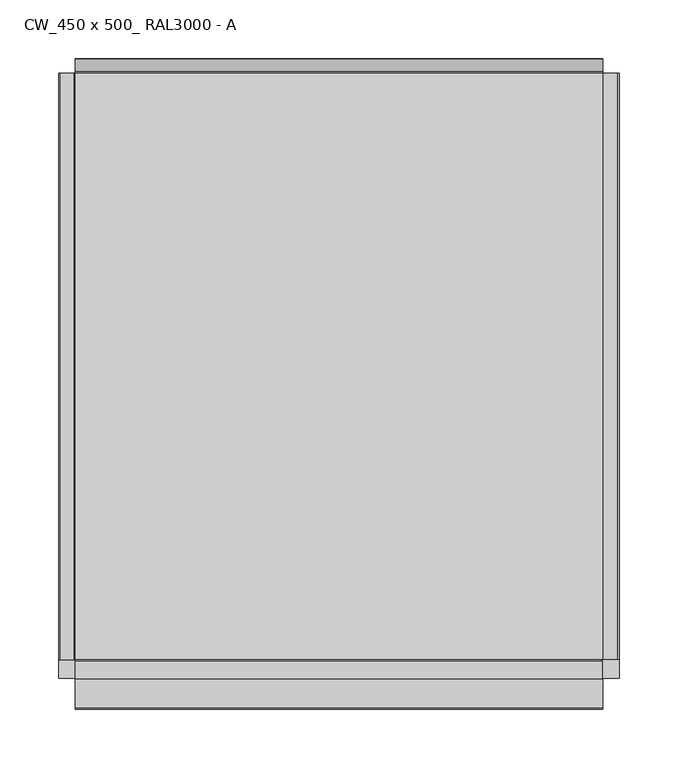
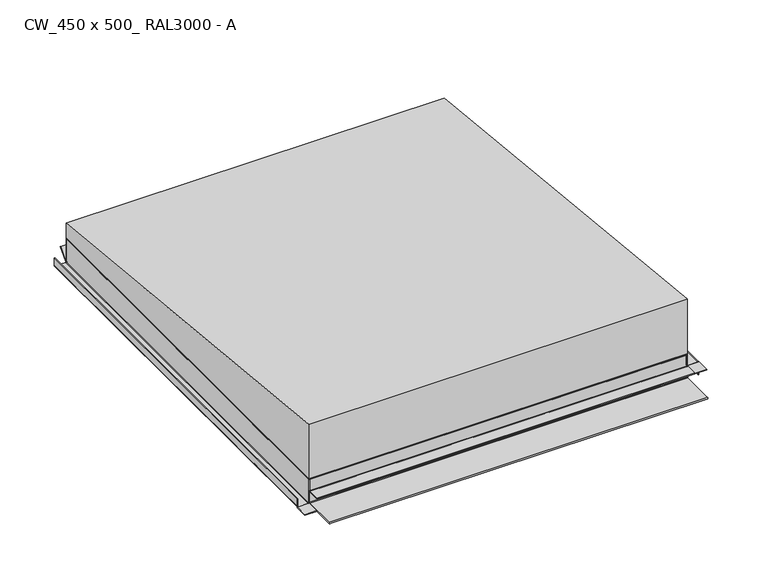
"""IFC4 building model written with IfcOpenShell, lengths in millimetres: proxy geometry, CW_450 x 500_ RAL3000 - A."""

import ifcopenshell
import ifcopenshell.guid

model = None  # the IFC model being written
_history = None  # IfcOwnerHistory: only IFC2X3 demands one
_inside = {}  # id of a spatial element -> (the spatial element, [elements in it])
_under = {}  # id of a project, library or spatial element -> (it, [spatial elements below it])
_declared = {}  # id of a project -> (the project, [libraries it declares])
_typed = {}  # id of a type object -> (the type object, [elements of that type])
_made_of = {}  # id of a material, layer set ... -> (it, [elements and type objects made of it])


def new_model(schema):
    """Start an empty IFC model of exactly this schema.

    Asked for "IFC4X3", IfcOpenShell would pick the latest addendum, in which some entities
    have other attributes; the version numbers below select the first issue.
    IFC2X3 requires an IfcOwnerHistory on every rooted entity: one is made here for all.
    """
    global model, _history
    if schema == "IFC4X3":
        model = ifcopenshell.file(schema_version=(4, 3, 0, 0))
    else:
        model = ifcopenshell.file(schema=schema)
    _inside.clear()
    _under.clear()
    _declared.clear()
    _typed.clear()
    _made_of.clear()
    _history = None
    if model.schema == "IFC2X3":
        org = make("IfcOrganization", Name="unknown")
        user = make(
            "IfcPersonAndOrganization",
            ThePerson=make("IfcPerson", FamilyName="unknown"),
            TheOrganization=org,
        )
        app = make(
            "IfcApplication",
            ApplicationDeveloper=org,
            Version="unknown",
            ApplicationFullName="unknown",
            ApplicationIdentifier="unknown",
        )
        _history = make(
            "IfcOwnerHistory",
            OwningUser=user,
            OwningApplication=app,
            ChangeAction="ADDED",
            CreationDate=0,
        )
    return model


def make(cls, **values):
    """One entity of the class cls with the attributes given. An attribute that is None is left unset."""
    return model.create_entity(
        cls, **{name: value for name, value in values.items() if value is not None}
    )


def rooted(cls, **values):
    """An entity with a GlobalId (a new one), such as an element, a storey or a relation."""
    return make(cls, GlobalId=ifcopenshell.guid.new(), OwnerHistory=_history, **values)


def si_unit(unit_type, name, prefix=None):
    """IfcSIUnit, for example si_unit("LENGTHUNIT", "METRE", prefix="MILLI")."""
    return make("IfcSIUnit", UnitType=unit_type, Prefix=prefix, Name=name)


def assignment(units):
    """IfcUnitAssignment: the units of a project."""
    return None if units is None else make("IfcUnitAssignment", Units=units)


def point(xyz):
    """IfcCartesianPoint."""
    return None if xyz is None else make("IfcCartesianPoint", Coordinates=xyz)


def direction(xyz):
    """IfcDirection."""
    return None if xyz is None else make("IfcDirection", DirectionRatios=xyz)


def frame(location, z_axis=None, x_axis=None):
    """IfcAxis2Placement3D, a coordinate frame: its origin and axes. An axis left out is left unset."""
    return make(
        "IfcAxis2Placement3D",
        Location=point(location),
        Axis=direction(z_axis),
        RefDirection=direction(x_axis),
    )


def origin():
    """The frame at (0, 0, 0) with its axes left unset."""
    return frame((0.0, 0.0, 0.0))


def origin_with_axes():
    """The frame at (0, 0, 0) with the z axis (0, 0, 1) and the x axis (1, 0, 0) written out."""
    return frame((0.0, 0.0, 0.0), z_axis=(0.0, 0.0, 1.0), x_axis=(1.0, 0.0, 0.0))


def place(relative_to, where):
    """IfcLocalPlacement: puts the frame where relative to a parent placement (None: the world)."""
    return make(
        "IfcLocalPlacement", PlacementRelTo=relative_to, RelativePlacement=where
    )


def context(
    kind, dimensions, precision=None, world=None, true_north=None, identifier=None
):
    """IfcGeometricRepresentationContext, for example the 3D "Model" context."""
    return make(
        "IfcGeometricRepresentationContext",
        ContextIdentifier=identifier,
        ContextType=kind,
        CoordinateSpaceDimension=dimensions,
        Precision=precision,
        WorldCoordinateSystem=world,
        TrueNorth=true_north,
    )


def project(units=None, contexts=None):
    """IfcProject with its units and contexts."""
    return rooted(
        "IfcProject",
        Name="project",
        RepresentationContexts=contexts,
        UnitsInContext=assignment(units),
    )


def spatial(cls, under=None, at=None, **own):
    """A site, building, storey or space (cls), placed at a placement, below another one or the project."""
    s = rooted(cls, ObjectPlacement=at, **own)
    if under is not None:
        _under.setdefault(under.id(), (under, []))[1].append(s)
    return s


def polyline(points):
    """IfcPolyline through the points."""
    return make("IfcPolyline", Points=[point(p) for p in points])


def circle_curve(where, radius):
    """IfcCircle in the frame where."""
    return make("IfcCircle", Position=where, Radius=radius)


def ellipse_curve(where, semi_axis1, semi_axis2):
    """IfcEllipse in the frame where."""
    return make(
        "IfcEllipse", Position=where, SemiAxis1=semi_axis1, SemiAxis2=semi_axis2
    )


def outline(outer, holes=None, kind="AREA"):
    """IfcArbitraryClosedProfileDef: a profile drawn as a closed curve; with holes, ...WithVoids."""
    if holes is None:
        return make("IfcArbitraryClosedProfileDef", ProfileType=kind, OuterCurve=outer)
    return make(
        "IfcArbitraryProfileDefWithVoids",
        ProfileType=kind,
        OuterCurve=outer,
        InnerCurves=holes,
    )


def extrude(swept, where, along, depth):
    """IfcExtrudedAreaSolid: the profile swept, set in the frame where, extruded along a direction by depth."""
    return make(
        "IfcExtrudedAreaSolid",
        SweptArea=swept,
        Position=where,
        ExtrudedDirection=direction(along),
        Depth=depth,
    )


def faces_of(points, faces, orient=None, outer=None):
    """IfcFace entities. A face is a list of loops; a loop is a list of indices into points, from 0.

    orient and outer hold one flag for each loop. By default every Orientation is true, the
    first loop of a face is its IfcFaceOuterBound and the others are IfcFaceBound.
    """
    made = []
    for i, loops in enumerate(faces):
        bounds = []
        for j, loop in enumerate(loops):
            is_outer = j == 0 if outer is None else outer[i][j]
            bounds.append(
                make(
                    "IfcFaceOuterBound" if is_outer else "IfcFaceBound",
                    Bound=make("IfcPolyLoop", Polygon=[points[k] for k in loop]),
                    Orientation=True if orient is None else orient[i][j],
                )
            )
        made.append(make("IfcFace", Bounds=bounds))
    return made


def faceted_brep(points, faces, orient=None, outer=None, voids=None):
    """IfcFacetedBrep: a solid bounded by flat faces; with voids (closed shells), ...WithVoids."""
    shared = [point(p) for p in points]
    hull = make("IfcClosedShell", CfsFaces=faces_of(shared, faces, orient, outer))
    if voids is None:
        return make("IfcFacetedBrep", Outer=hull)
    return make(
        "IfcFacetedBrepWithVoids",
        Outer=hull,
        Voids=[
            make(cls, CfsFaces=faces_of(shared, fs, o, b)) for cls, fs, o, b in voids
        ],
    )


def shape(context_of_items, identifier, shape_type, items):
    """IfcShapeRepresentation: the items that make up one representation, for example the "Body"."""
    return make(
        "IfcShapeRepresentation",
        ContextOfItems=context_of_items,
        RepresentationIdentifier=identifier,
        RepresentationType=shape_type,
        Items=items,
    )


def source(mapping_origin, context_of_items, identifier, shape_type, items):
    """IfcRepresentationMap: a shape defined once, which mapped items show again and again."""
    return make(
        "IfcRepresentationMap",
        MappingOrigin=mapping_origin,
        MappedRepresentation=shape(context_of_items, identifier, shape_type, items),
    )


def transform(
    local_origin,
    x_axis=None,
    y_axis=None,
    z_axis=None,
    scale=None,
    scale2=None,
    scale3=None,
    uniform=True,
):
    """IfcCartesianTransformationOperator3D, or its non-uniform kind. x_axis, y_axis, z_axis: its Axis1, 2, 3."""
    if uniform:
        return make(
            "IfcCartesianTransformationOperator3D",
            Axis1=direction(x_axis),
            Axis2=direction(y_axis),
            LocalOrigin=point(local_origin),
            Scale=scale,
            Axis3=direction(z_axis),
        )
    return make(
        "IfcCartesianTransformationOperator3DnonUniform",
        Axis1=direction(x_axis),
        Axis2=direction(y_axis),
        LocalOrigin=point(local_origin),
        Scale=scale,
        Axis3=direction(z_axis),
        Scale2=scale2,
        Scale3=scale3,
    )


def mapped(mapping_source, mapping_target):
    """IfcMappedItem: shows the shape of a source again, moved by a transform."""
    return make(
        "IfcMappedItem", MappingSource=mapping_source, MappingTarget=mapping_target
    )


def made_of(thing, what):
    """Note that an element or type object is made of a material, layer set ...; save() writes the relation."""
    if what is not None:
        _made_of.setdefault(what.id(), (what, []))[1].append(thing)
    return thing


def element(
    cls,
    number,
    at=None,
    inside=None,
    cuts=None,
    type_object=None,
    material=None,
    context=None,
    identifier="Body",
    shape_type=None,
    held_by="IfcProductDefinitionShape",
    body=None,
    shapes=None,
    **own,
):
    """One element of the class cls, such as IfcWall. Its Tag is "e" and its number.

    at: its placement. inside: the storey or other place that contains it. cuts: it is an
    opening in that element (IfcRelVoidsElement). A single representation is given by context,
    identifier, shape_type and body (its items); several are given by shapes. held_by: the class
    of the entity that holds the representations. save() writes the other relations.
    """
    e = rooted(cls, Tag="e%d" % number, ObjectPlacement=at, **own)
    if body is not None:
        shapes = [shape(context, identifier, shape_type, body)]
    if shapes is not None:
        e.Representation = make(held_by, Representations=shapes)
    if inside is not None:
        _inside.setdefault(inside.id(), (inside, []))[1].append(e)
    if cuts is not None:
        rooted(
            "IfcRelVoidsElement", RelatingBuildingElement=cuts, RelatedOpeningElement=e
        )
    if type_object is not None:
        _typed.setdefault(type_object.id(), (type_object, []))[1].append(e)
    return made_of(e, material)


def aggregate(whole, parts):
    """IfcRelAggregates: a whole, such as a stair, and the parts it consists of."""
    return rooted("IfcRelAggregates", RelatingObject=whole, RelatedObjects=parts)


def save(model, path):
    """Write the relations noted so far, then the file.

    IfcRelAggregates (storeys below a building ...), IfcRelContainedInSpatialStructure (elements
    in a storey), IfcRelDefinesByType, IfcRelAssociatesMaterial and IfcRelDeclares: one each for
    every whole, place, type object, material and project.
    """
    for whole, parts in _under.values():
        aggregate(whole, parts)
    for where, things in _inside.values():
        rooted(
            "IfcRelContainedInSpatialStructure",
            RelatedElements=things,
            RelatingStructure=where,
        )
    for kind, things in _typed.values():
        rooted("IfcRelDefinesByType", RelatedObjects=things, RelatingType=kind)
    for what, things in _made_of.values():
        rooted("IfcRelAssociatesMaterial", RelatedObjects=things, RelatingMaterial=what)
    for by, libraries in _declared.values():
        rooted("IfcRelDeclares", RelatingContext=by, RelatedDefinitions=libraries)
    model.write(path)


def plane_surface(at):
    """IfcPlane: the flat surface through the origin of the frame at, square to its z axis."""
    return make("IfcPlane", Position=at)


def cylinder_surface(at, radius):
    """IfcCylindricalSurface: all points at the distance radius from the z axis of the frame at."""
    return make("IfcCylindricalSurface", Position=at, Radius=radius)


def revolved_surface(curve, axis_point, axis_direction):
    """IfcSurfaceOfRevolution: the curve turned about the line through axis_point along axis_direction."""
    return make(
        "IfcSurfaceOfRevolution",
        SweptCurve=make("IfcArbitraryOpenProfileDef", ProfileType="CURVE", Curve=curve),
        AxisPosition=make("IfcAxis1Placement", Location=point(axis_point), Axis=direction(axis_direction)),
    )


def advanced_brep(points, edges, surfaces, faces):
    """IfcAdvancedBrep: a solid bounded by faces that lie on surfaces and meet in shared edges.

    An edge is (start, end): straight between two places in points (the first is 0);
    or (start, end, curve); or (start, end, curve, False) where it runs against its curve.
    A face is (place in surfaces, loops), or (place, loops, False) where it looks against
    its surface's normal. A loop lists edges by number (the first is 1), with a minus sign
    where the edge is run from its end to its start. The first loop is the outer one.
    """
    corners = [point(p) for p in points]
    vertices = [make("IfcVertexPoint", VertexGeometry=c) for c in corners]
    made = []
    for start, end, *more in edges:
        made.append(
            make(
                "IfcEdgeCurve",
                EdgeStart=vertices[start],
                EdgeEnd=vertices[end],
                EdgeGeometry=more[0] if more else make("IfcPolyline", Points=[corners[start], corners[end]]),
                SameSense=more[1] if len(more) > 1 else True,
            )
        )
    hull = []
    for where, loops, *sense in faces:
        bounds = []
        for j, loop in enumerate(loops):
            ring = [make("IfcOrientedEdge", EdgeElement=made[abs(k) - 1], Orientation=k > 0) for k in loop]
            bounds.append(
                make(
                    "IfcFaceOuterBound" if j == 0 else "IfcFaceBound",
                    Bound=make("IfcEdgeLoop", EdgeList=ring),
                    Orientation=True,
                )
            )
        hull.append(make("IfcAdvancedFace", Bounds=bounds, FaceSurface=surfaces[where], SameSense=sense[0] if sense else True))
    return make("IfcAdvancedBrep", Outer=make("IfcClosedShell", CfsFaces=hull))


def cw_450_x_500_ral3000_a_fe287cfc(model_context):
    return source(origin(), model_context, "Body", "SolidModel", [
        advanced_brep(
        [(-239.0, -250.0, 1.3), (-237.7, -250.0, 0.0), (-225.5, -250.0, 0.0), (-224.2, -250.0, 1.3), (-224.2, -250.0, 30.0), (-225.0, -250.0, 30.0), (-225.0, -250.0, 1.3), (-225.5, -250.0, 0.8), (-237.7, -250.0, 0.8), (-238.2, -250.0, 1.3), (-238.2, -250.0, 11.0), (-239.0, -250.0, 11.0), (-225.5, 250.0, 0.0), (-237.7, 250.0, 0.0), (-239.0, 250.0, 1.3), (-239.0, 250.0, 11.0), (-238.2, 250.0, 11.0), (-238.2, 250.0, 1.3), (-237.7, 250.0, 0.8), (-225.5, 250.0, 0.8), (-225.0, 250.0, 1.3), (-225.0, 250.0, 0.1), (-224.2, 249.2, 1.3), (-224.2, 249.2, 30.0), (-225.0, 249.2, 30.0), (-225.0, 249.2, 1.3)],
        [
            (0, 1, circle_curve(frame((-237.7, -250.0, 1.3), z_axis=(0.0, -1.0, 0.0), x_axis=(1.0, 0.0, 0.0)), 1.3)),
            (1, 2),
            (2, 3, circle_curve(frame((-225.5, -250.0, 1.3), z_axis=(0.0, -1.0, 0.0), x_axis=(1.0, 0.0, 0.0)), 1.3)),
            (3, 4),
            (4, 5),
            (5, 6),
            (6, 7, circle_curve(frame((-225.5, -250.0, 1.3), z_axis=(0.0, 1.0, 0.0), x_axis=(1.0, 0.0, 0.0)), 0.5)),
            (7, 8),
            (8, 9, circle_curve(frame((-237.7, -250.0, 1.3), z_axis=(0.0, 1.0, 0.0), x_axis=(1.0, 0.0, 0.0)), 0.5)),
            (9, 10),
            (10, 11),
            (11, 0),
            (12, 13),
            (13, 14, circle_curve(frame((-237.7, 250.0, 1.3), z_axis=(0.0, 1.0, 0.0), x_axis=(1.0, 0.0, 0.0)), 1.3)),
            (14, 15),
            (15, 16),
            (16, 17),
            (17, 18, circle_curve(frame((-237.7, 250.0, 1.3), z_axis=(0.0, -1.0, 0.0), x_axis=(1.0, 0.0, 0.0)), 0.5)),
            (18, 19),
            (19, 20, circle_curve(frame((-225.5, 250.0, 1.3), z_axis=(0.0, -1.0, 0.0), x_axis=(1.0, 0.0, 0.0)), 0.5)),
            (20, 21),
            (21, 12, circle_curve(frame((-225.5, 250.0, 1.3), z_axis=(0.0, 1.0, 0.0), x_axis=(1.0, 0.0, 0.0)), 1.3)),
            (1, 13),
            (12, 2),
            (21, 22, ellipse_curve(frame((-225.5, 250.5, 1.3), z_axis=(-0.7071067811865505, -0.7071067811865446, 0.0), x_axis=(0.7071067811865446, -0.7071067811865505, 0.0)), 1.8384776, 1.3)),
            (22, 3),
            (22, 23),
            (23, 4),
            (5, 24),
            (24, 25),
            (25, 6),
            (25, 20),
            (19, 7),
            (18, 8),
            (17, 9),
            (16, 10),
            (15, 11),
            (14, 0),
            (23, 24),
            (25, 21, circle_curve(frame((-225.0, 250.5, 1.3), z_axis=(1.0, 0.0, 0.0), x_axis=(0.0, 1.0, 0.0)), 1.3)),
            (25, 22),
        ],
        [
            plane_surface(frame((-236.4, -250.0, 1.3), z_axis=(0.0, -1.0, 0.0), x_axis=(0.0, 0.0, -1.0))),
            plane_surface(frame((-236.4, 250.0, 1.3), z_axis=(0.0, 1.0, 0.0), x_axis=(0.0, 0.0, 1.0))),
            plane_surface(frame((-225.5, -250.0, 0.0), z_axis=(0.0, 0.0, -1.0), x_axis=(0.0, 1.0, 0.0))),
            cylinder_surface(frame((-225.5, 250.0, 1.3), z_axis=(0.0, -1.0, 0.0), x_axis=(1.0, 0.0, 0.0)), 1.3),
            plane_surface(frame((-224.2, -250.0, 30.0), z_axis=(1.0, 0.0, 0.0), x_axis=(0.0, 1.0, 0.0))),
            plane_surface(frame((-225.0, -250.0, 1.3), z_axis=(-1.0, 0.0, 0.0), x_axis=(0.0, 1.0, 0.0))),
            revolved_surface(polyline([(-225.0, 250.0, 1.3), (-225.0, -250.0, 1.3)]), (-225.5, 250.0, 1.3), (0.0, 1.0, 0.0)),
            plane_surface(frame((-237.7, -250.0, 0.8), z_axis=(0.0, 0.0, 1.0), x_axis=(0.0, 1.0, 0.0))),
            revolved_surface(polyline([(-237.2, 250.0, 1.3), (-237.2, -250.0, 1.3)]), (-237.7, 250.0, 1.3), (0.0, 1.0, 0.0)),
            plane_surface(frame((-238.2, -250.0, 11.0), z_axis=(1.0, 0.0, 0.0), x_axis=(0.0, 1.0, 0.0))),
            plane_surface(frame((-239.0, -250.0, 11.0), z_axis=(0.0, 0.0, 1.0), x_axis=(0.0, 1.0, 0.0))),
            plane_surface(frame((-239.0, -250.0, 1.3), z_axis=(-1.0, 0.0, 0.0), x_axis=(0.0, 1.0, 0.0))),
            cylinder_surface(frame((-237.7, 250.0, 1.3), z_axis=(0.0, -1.0, 0.0), x_axis=(1.0, 0.0, 0.0)), 1.3),
            plane_surface(frame((-225.0, -250.0, 30.0), z_axis=(0.0, 0.0, 1.0), x_axis=(0.0, 1.0, 0.0))),
            plane_surface(frame((-225.0, 251.0, 1.3), z_axis=(1.0, 0.0, 0.0), x_axis=(0.0, 0.0, 1.0))),
            revolved_surface(polyline([(-226.79999997801957, 251.8, 1.3), (-224.2, 251.8, 1.3)]), (225.0, 250.5, 1.3), (-1.0, 0.0, 0.0)),
            plane_surface(frame((-225.0, 249.2, 1.3), z_axis=(0.0, 1.0, 0.0), x_axis=(1.0, 0.0, 0.0))),
        ],
        [
            (0, [[1, 2, 3, 4, 5, 6, 7, 8, 9, 10, 11, 12]]),
            (1, [[13, 14, 15, 16, 17, 18, 19, 20, 21, 22]]),
            (2, [[-2, 23, -13, 24]]),
            (3, [[-3, -24, -22, 25, 26]]),
            (4, [[-4, -26, 27, 28]]),
            (5, [[-6, 29, 30, 31]]),
            (6, [[-7, -31, 32, -20, 33]]),
            (7, [[-8, -33, -19, 34]]),
            (8, [[-9, -34, -18, 35]]),
            (9, [[-10, -35, -17, 36]]),
            (10, [[-11, -36, -16, 37]]),
            (11, [[-12, -37, -15, 38]]),
            (12, [[-1, -38, -14, -23]]),
            (13, [[-5, -28, 39, -29]]),
            (14, [[40, -21, -32]]),
            (15, [[-40, 41, -25]]),
            (16, [[-41, -30, -39, -27]]),
        ],
    ),
        extrude(outline(polyline([(-239.0, -266.0), (-239.0, -250.0), (-224.2, -250.0), (-224.2, -266.0), (-239.0, -266.0)])), origin_with_axes(), (0.0, 0.0, 1.0), 0.8),
        advanced_brep(
        [(225.5, -250.0, 15.56875), (237.7, -250.0, 15.56875), (238.2, -250.0, 15.06875), (238.2, -250.0, 0.0), (239.0, -250.0, 0.0), (239.0, -250.0, 15.06875), (237.7, -250.0, 16.36875), (225.5, -250.0, 16.36875), (225.0, -250.0, 16.86875), (225.0, -250.0, 15.66875), (225.0, 250.0, 16.86875), (225.5, 250.0, 16.36875), (237.7, 250.0, 16.36875), (239.0, 250.0, 15.06875), (239.0, 250.0, 0.0), (238.2, 250.0, 0.0), (238.2, 250.0, 15.06875), (237.7, 250.0, 15.56875), (225.5, 250.0, 15.56875), (225.0, 250.0, 15.66875), (224.2, 249.2, 30.0), (224.2, 249.2, 16.86875), (224.2, -249.2, 16.86875), (224.2, -249.2, 30.0), (225.0, -249.2, 15.66875), (225.0, 249.2, 15.66875), (225.0, 249.2, 16.86875), (225.0, -249.2, 16.86875), (225.0, 249.2, 30.0), (225.0, -249.2, 30.0)],
        [
            (0, 1),
            (1, 2, circle_curve(frame((237.7, -250.0, 15.06875), z_axis=(0.0, 1.0, 0.0), x_axis=(-1.0, 0.0, 0.0)), 0.5)),
            (2, 3),
            (3, 4),
            (4, 5),
            (5, 6, circle_curve(frame((237.7, -250.0, 15.06875), z_axis=(0.0, -1.0, 0.0), x_axis=(-1.0, 0.0, 0.0)), 1.3)),
            (6, 7),
            (7, 8, circle_curve(frame((225.5, -250.0, 16.86875), z_axis=(0.0, 1.0, 0.0), x_axis=(-1.0, 0.0, 0.0)), 0.5)),
            (8, 9),
            (9, 0, circle_curve(frame((225.5, -250.0, 16.86875), z_axis=(0.0, -1.0, 0.0), x_axis=(-1.0, 0.0, 0.0)), 1.3)),
            (10, 11, circle_curve(frame((225.5, 250.0, 16.86875), z_axis=(0.0, -1.0, 0.0), x_axis=(-1.0, 0.0, 0.0)), 0.5)),
            (11, 12),
            (12, 13, circle_curve(frame((237.7, 250.0, 15.06875), z_axis=(0.0, 1.0, 0.0), x_axis=(-1.0, 0.0, 0.0)), 1.3)),
            (13, 14),
            (14, 15),
            (15, 16),
            (16, 17, circle_curve(frame((237.7, 250.0, 15.06875), z_axis=(0.0, -1.0, 0.0), x_axis=(-1.0, 0.0, 0.0)), 0.5)),
            (17, 18),
            (18, 19, circle_curve(frame((225.5, 250.0, 16.86875), z_axis=(0.0, 1.0, 0.0), x_axis=(-1.0, 0.0, 0.0)), 1.3)),
            (19, 10),
            (20, 21),
            (21, 22),
            (22, 23),
            (23, 20),
            (18, 0),
            (9, 24),
            (24, 22, circle_curve(frame((225.5, -249.2, 16.86875), z_axis=(0.0, 1.0, 0.0), x_axis=(-1.0, 0.0, 0.0)), 1.3)),
            (21, 25, circle_curve(frame((225.5, 249.2, 16.86875), z_axis=(0.0, -1.0, 0.0), x_axis=(-1.0, 0.0, 0.0)), 1.3)),
            (25, 19),
            (17, 1),
            (16, 2),
            (15, 3),
            (14, 4),
            (13, 5),
            (12, 6),
            (11, 7),
            (10, 26),
            (26, 27),
            (27, 8),
            (26, 28),
            (28, 29),
            (29, 27),
            (28, 20),
            (23, 29),
            (25, 26),
            (27, 24),
        ],
        [
            plane_surface(frame((224.2, -250.0, 16.86875), z_axis=(0.0, -1.0, 0.0), x_axis=(0.0, 0.0, 1.0))),
            plane_surface(frame((224.2, 250.0, 16.86875), z_axis=(0.0, 1.0, 0.0), x_axis=(0.0, 0.0, -1.0))),
            plane_surface(frame((224.2, -250.0, 16.86875), z_axis=(-1.0, 0.0, 0.0), x_axis=(0.0, 1.0, 0.0))),
            cylinder_surface(frame((225.5, 250.0, 16.86875), z_axis=(0.0, -1.0, 0.0), x_axis=(-1.0, 0.0, 0.0)), 1.3),
            plane_surface(frame((237.7, -250.0, 15.56875), z_axis=(0.0, 0.0, -1.0), x_axis=(0.0, 1.0, 0.0))),
            revolved_surface(polyline([(237.2, 250.0, 15.06875), (237.2, -250.0, 15.06875)]), (237.7, 250.0, 15.06875), (0.0, 1.0, 0.0)),
            plane_surface(frame((238.2, -250.0, 0.0), z_axis=(-1.0, 0.0, 0.0), x_axis=(0.0, 1.0, 0.0))),
            plane_surface(frame((239.0, -250.0, 0.0), z_axis=(0.0, 0.0, -1.0), x_axis=(0.0, 1.0, 0.0))),
            plane_surface(frame((239.0, -250.0, 15.06875), z_axis=(1.0, 0.0, 0.0), x_axis=(0.0, 1.0, 0.0))),
            cylinder_surface(frame((237.7, 250.0, 15.06875), z_axis=(0.0, -1.0, 0.0), x_axis=(-1.0, 0.0, 0.0)), 1.3),
            plane_surface(frame((225.5, -250.0, 16.36875), z_axis=(0.0, 0.0, 1.0), x_axis=(0.0, 1.0, 0.0))),
            revolved_surface(polyline([(225.0, 250.0, 16.86875), (225.0, -250.0, 16.86875)]), (225.5, 250.0, 16.86875), (0.0, 1.0, 0.0)),
            plane_surface(frame((225.0, -250.0, 30.0), z_axis=(1.0, 0.0, 0.0), x_axis=(0.0, 1.0, 0.0))),
            plane_surface(frame((224.2, -250.0, 30.0), z_axis=(0.0, 0.0, 1.0), x_axis=(0.0, 1.0, 0.0))),
            plane_surface(frame((225.0, 251.0, 1.3), z_axis=(-1.0, 0.0, 0.0), x_axis=(0.0, 0.0, -1.0))),
            plane_surface(frame((-225.0, 249.2, 1.3), z_axis=(0.0, 1.0, 0.0), x_axis=(1.0, 0.0, 0.0))),
            plane_surface(frame((225.0, -250.5, 0.0), z_axis=(-1.0, 0.0, 0.0), x_axis=(0.0, 1.0, 0.0))),
            plane_surface(frame((-225.0, -249.2, 30.0), z_axis=(0.0, -1.0, 0.0), x_axis=(1.0, 0.0, 0.0))),
        ],
        [
            (0, [[1, 2, 3, 4, 5, 6, 7, 8, 9, 10]]),
            (1, [[11, 12, 13, 14, 15, 16, 17, 18, 19, 20]]),
            (2, [[21, 22, 23, 24]]),
            (3, [[25, -10, 26, 27, -22, 28, 29, -19]]),
            (4, [[-1, -25, -18, 30]]),
            (5, [[-2, -30, -17, 31]]),
            (6, [[-3, -31, -16, 32]]),
            (7, [[-4, -32, -15, 33]]),
            (8, [[-5, -33, -14, 34]]),
            (9, [[-6, -34, -13, 35]]),
            (10, [[-7, -35, -12, 36]]),
            (11, [[-8, -36, -11, 37, 38, 39]]),
            (12, [[40, 41, 42, -38]]),
            (13, [[43, -24, 44, -41]]),
            (14, [[45, -37, -20, -29]]),
            (15, [[-45, -28, -21, -43, -40]]),
            (16, [[46, -26, -9, -39]]),
            (17, [[-46, -42, -44, -23, -27]]),
        ],
    ),
        advanced_brep(
        [(225.0, -251.0793372, 15.56875), (225.0, -251.55, 15.9), (225.0, -266.0, 15.9), (225.0, -266.0, 16.36875), (225.0, -250.6830955, 16.36875), (225.0, -250.2609991, 15.56875), (239.0, -266.0, 15.56875), (239.0, -266.0, 16.36875), (224.2, -266.0, 15.9), (224.2, -266.0, 15.56875), (224.2, -250.0, 15.56875), (224.2, -250.0, 16.36875), (225.0, -250.0, 16.36875), (239.0, -250.0, 16.36875), (239.0, -250.0, 15.56875), (225.0, -250.0, 15.56875), (224.2, -250.6830955, 16.36875), (224.2, -251.0793372, 15.56875), (224.2, -250.2609991, 15.56875), (224.2, -251.55, 15.9)],
        [
            (0, 1, circle_curve(frame((225.0, -251.55, 15.4), z_axis=(1.0, 0.0, 0.0), x_axis=(0.0, 1.0, 0.0)), 0.5)),
            (1, 2),
            (2, 3),
            (3, 4),
            (4, 5, circle_curve(frame((225.0, -251.55, 15.4), z_axis=(-1.0, 0.0, 0.0), x_axis=(0.0, 1.0, 0.0)), 1.3)),
            (5, 0),
            (6, 7),
            (7, 3),
            (2, 8),
            (8, 9),
            (9, 6),
            (10, 11),
            (11, 12),
            (12, 13),
            (13, 14),
            (14, 15),
            (15, 10),
            (7, 13),
            (11, 16),
            (16, 4),
            (9, 17),
            (17, 0),
            (5, 18),
            (18, 10),
            (14, 6),
            (8, 19),
            (19, 17, circle_curve(frame((224.2, -251.55, 15.4), z_axis=(-1.0, 0.0, 0.0), x_axis=(0.0, 1.0, 0.0)), 0.5)),
            (19, 1),
            (16, 18, circle_curve(frame((224.2, -251.55, 15.4), z_axis=(-1.0, 0.0, 0.0), x_axis=(0.0, 1.0, 0.0)), 1.3)),
        ],
        [
            plane_surface(frame((225.0, -250.5, 0.0), z_axis=(-1.0, 0.0, 0.0), x_axis=(0.0, 1.0, 0.0))),
            plane_surface(frame((224.2, -266.0, 15.56875), z_axis=(0.0, -1.0, 0.0), x_axis=(-1.0, 0.0, 0.0))),
            plane_surface(frame((224.2, -250.0, 15.56875), z_axis=(0.0, 1.0, 0.0), x_axis=(1.0, 0.0, 0.0))),
            plane_surface(frame((224.2, -266.0, 16.36875), z_axis=(0.0, 0.0, 1.0), x_axis=(0.0, 1.0, 0.0))),
            plane_surface(frame((239.0, -266.0, 15.56875), z_axis=(0.0, 0.0, -1.0), x_axis=(0.0, 1.0, 0.0))),
            plane_surface(frame((224.2, -266.0, 15.56875), z_axis=(-1.0, 0.0, -1.0019693408305913e-12), x_axis=(0.0, 1.0, 0.0))),
            plane_surface(frame((239.0, -266.0, 16.36875), z_axis=(1.0, 0.0, 0.0), x_axis=(0.0, 1.0, 0.0))),
            cylinder_surface(frame((225.0, -251.55, 15.4), z_axis=(1.0, 0.0, 0.0), x_axis=(0.0, 1.0, 0.0)), 0.5),
            plane_surface(frame((-225.0, -251.55, 15.9), z_axis=(0.0, 0.0, 1.0), x_axis=(1.0, 0.0, 0.0))),
            revolved_surface(polyline([(224.2, -250.25, 15.4), (225.0, -250.25, 15.4)]), (225.0, -251.55, 15.4), (-1.0, 0.0, 0.0)),
        ],
        [
            (0, [[1, 2, 3, 4, 5, 6]]),
            (1, [[7, 8, -3, 9, 10, 11]]),
            (2, [[12, 13, 14, 15, 16, 17]]),
            (3, [[18, -14, -13, 19, 20, -4, -8]]),
            (4, [[-11, 21, 22, -6, 23, 24, -17, -16, 25]]),
            (5, [[-10, 26, 27, -21]]),
            (6, [[-7, -25, -15, -18]]),
            (7, [[-1, -22, -27, 28]]),
            (8, [[-2, -28, -26, -9]]),
            (9, [[-5, -20, 29, -23]]),
            (5, [[-12, -24, -29, -19]]),
        ],
    ),
        advanced_brep(
        [(-225.0, -250.5, 0.0), (-225.0, -291.65, 0.0), (-225.0, -291.65, 1.7), (-225.0, -251.55, 1.7), (-225.0, -251.05, 2.2), (-225.0, -251.05, 15.4), (-225.0, -251.55, 15.9), (-225.0, -266.25, 15.9), (-225.0, -266.25, 16.7), (-225.0, -251.55, 16.7), (-225.0, -250.25, 15.4), (-225.0, -250.25, 2.2), (-225.0, -251.55, 0.9), (-225.0, -291.65, 0.9), (-225.0, -250.5, 0.8), (-225.0, -250.0, 1.3), (-225.0, -250.0, 30.0), (-225.0, -249.2, 30.0), (-225.0, -249.2, 1.3), (225.0, -250.5, 0.0), (225.0, -249.2, 1.3), (225.0, -249.2, 15.66875), (225.0, -249.2, 16.86875), (225.0, -249.2, 30.0), (225.0, -250.0, 30.0), (225.0, -250.0, 16.86875), (225.0, -250.0, 15.66875), (225.0, -250.0, 1.3), (225.0, -250.5, 0.8), (225.0, -291.65, 0.9), (225.0, -251.55, 0.9), (225.0, -250.25, 2.2), (225.0, -250.25, 15.4), (225.0, -250.2613292, 15.5701671), (225.0, -250.682858, 16.3684525), (225.0, -251.55, 16.7), (225.0, -266.25, 16.7), (225.0, -266.25, 15.9), (225.0, -266.0, 15.9), (225.0, -251.55, 15.9), (225.0, -251.0793351, 15.5686233), (225.0, -251.05, 15.4), (225.0, -251.05, 2.2), (225.0, -251.55, 1.7), (225.0, -291.65, 1.7), (225.0, -291.65, 0.0), (224.2, -249.2, 30.0)],
        [
            (0, 1),
            (1, 2, circle_curve(frame((-225.0, -291.65, 0.85), z_axis=(-1.0, 0.0, 0.0), x_axis=(0.0, 1.0, 0.0)), 0.85)),
            (2, 3),
            (3, 4, circle_curve(frame((-225.0, -251.55, 2.2), z_axis=(1.0, 0.0, 0.0), x_axis=(0.0, 1.0, 0.0)), 0.5)),
            (4, 5),
            (5, 6, circle_curve(frame((-225.0, -251.55, 15.4), z_axis=(1.0, 0.0, 0.0), x_axis=(0.0, 1.0, 0.0)), 0.5)),
            (6, 7),
            (7, 8),
            (8, 9),
            (9, 10, circle_curve(frame((-225.0, -251.55, 15.4), z_axis=(-1.0, 0.0, 0.0), x_axis=(0.0, 1.0, 0.0)), 1.3)),
            (10, 11),
            (11, 12, circle_curve(frame((-225.0, -251.55, 2.2), z_axis=(-1.0, 0.0, 0.0), x_axis=(0.0, 1.0, 0.0)), 1.3)),
            (12, 13),
            (13, 14),
            (14, 15, circle_curve(frame((-225.0, -250.5, 1.3), z_axis=(1.0, 0.0, 0.0), x_axis=(0.0, 1.0, 0.0)), 0.5)),
            (15, 16),
            (16, 17),
            (17, 18),
            (18, 0, circle_curve(frame((-225.0, -250.5, 1.3), z_axis=(-1.0, 0.0, 0.0), x_axis=(0.0, 1.0, 0.0)), 1.3)),
            (19, 20, circle_curve(frame((225.0, -250.5, 1.3), z_axis=(1.0, 0.0, 0.0), x_axis=(0.0, 1.0, 0.0)), 1.3)),
            (20, 21),
            (21, 22),
            (22, 23),
            (23, 24),
            (24, 25),
            (25, 26),
            (26, 27),
            (27, 28, circle_curve(frame((225.0, -250.5, 1.3), z_axis=(-1.0, 0.0, 0.0), x_axis=(0.0, 1.0, 0.0)), 0.5)),
            (28, 29),
            (29, 30),
            (30, 31, circle_curve(frame((225.0, -251.55, 2.2), z_axis=(1.0, 0.0, 0.0), x_axis=(0.0, 1.0, 0.0)), 1.3)),
            (31, 32),
            (32, 33, circle_curve(frame((225.0, -251.55, 15.4), z_axis=(1.0, 0.0, 0.0), x_axis=(0.0, 1.0, 0.0)), 1.3)),
            (33, 34, circle_curve(frame((225.0, -251.55, 15.4), z_axis=(1.0, 0.0, 0.0), x_axis=(0.0, 1.0, 0.0)), 1.2998574)),
            (34, 35, circle_curve(frame((225.0, -251.55, 15.4), z_axis=(1.0, 0.0, 0.0), x_axis=(0.0, 1.0, 0.0)), 1.2999367)),
            (35, 36),
            (36, 37),
            (37, 38),
            (38, 39),
            (39, 40, circle_curve(frame((225.0, -251.55, 15.4), z_axis=(-1.0, 0.0, 0.0), x_axis=(0.0, 1.0, 0.0)), 0.5)),
            (40, 41, circle_curve(frame((225.0, -251.55, 15.4), z_axis=(-1.0, 0.0, 0.0), x_axis=(0.0, 1.0, 0.0)), 0.4999593)),
            (41, 42),
            (42, 43, circle_curve(frame((225.0, -251.55, 2.2), z_axis=(-1.0, 0.0, 0.0), x_axis=(0.0, 1.0, 0.0)), 0.5)),
            (43, 44),
            (44, 45, circle_curve(frame((225.0, -291.65, 0.85), z_axis=(1.0, 0.0, 0.0), x_axis=(0.0, 1.0, 0.0)), 0.85)),
            (45, 19),
            (17, 46),
            (46, 23),
            (20, 18),
            (19, 0),
            (45, 1),
            (44, 2),
            (43, 3),
            (42, 4),
            (41, 5),
            (39, 6),
            (37, 7),
            (36, 8),
            (35, 9),
            (32, 10),
            (31, 11),
            (30, 12),
            (29, 13),
            (28, 14),
            (27, 15),
            (24, 16),
        ],
        [
            plane_surface(frame((-225.0, -250.5, 0.0), z_axis=(-1.0, 0.0, 0.0), x_axis=(0.0, -1.0, 0.0))),
            plane_surface(frame((225.0, -250.5, 0.0), z_axis=(1.0, 0.0, 0.0), x_axis=(0.0, 1.0, 0.0))),
            plane_surface(frame((-225.0, -249.2, 30.0), z_axis=(0.0, 1.0, 0.0), x_axis=(1.0, 0.0, 0.0))),
            cylinder_surface(frame((225.0, -250.5, 1.3), z_axis=(-1.0, 0.0, 0.0), x_axis=(0.0, 1.0, 0.0)), 1.3),
            plane_surface(frame((-225.0, -250.5, 0.0), z_axis=(0.0, 0.0, -1.0), x_axis=(1.0, 0.0, 0.0))),
            cylinder_surface(frame((225.0, -291.65, 0.85), z_axis=(-1.0, 0.0, 0.0), x_axis=(0.0, 1.0, 0.0)), 0.85),
            plane_surface(frame((-225.0, -291.65, 1.7), z_axis=(0.0, 0.0, 1.0), x_axis=(1.0, 0.0, 0.0))),
            revolved_surface(polyline([(225.0, -251.05, 2.2), (-225.0, -251.05, 2.2)]), (225.0, -251.55, 2.2), (1.0, 0.0, 0.0)),
            plane_surface(frame((-225.0, -251.05, 2.2), z_axis=(0.0, -1.0, 0.0), x_axis=(1.0, 0.0, 0.0))),
            revolved_surface(polyline([(225.0, -251.05, 15.4), (-225.0, -251.05, 15.4)]), (225.0, -251.55, 15.4), (1.0, 0.0, 0.0)),
            plane_surface(frame((-225.0, -251.55, 15.9), z_axis=(0.0, 0.0, -1.0), x_axis=(1.0, 0.0, 0.0))),
            plane_surface(frame((-225.0, -266.25, 15.9), z_axis=(0.0, -1.0, 0.0), x_axis=(1.0, 0.0, 0.0))),
            plane_surface(frame((-225.0, -266.25, 16.7), z_axis=(0.0, 0.0, 1.0), x_axis=(1.0, 0.0, 0.0))),
            cylinder_surface(frame((225.0, -251.55, 15.4), z_axis=(-1.0, 0.0, 0.0), x_axis=(0.0, 1.0, 0.0)), 1.3),
            plane_surface(frame((-225.0, -250.25, 15.4), z_axis=(0.0, 1.0, 0.0), x_axis=(1.0, 0.0, 0.0))),
            cylinder_surface(frame((225.0, -251.55, 2.2), z_axis=(-1.0, 0.0, 0.0), x_axis=(0.0, 1.0, 0.0)), 1.3),
            plane_surface(frame((-225.0, -251.55, 0.9), z_axis=(0.0, 0.0, -1.0), x_axis=(1.0, 0.0, 0.0))),
            plane_surface(frame((-225.0, -291.65, 0.9), z_axis=(0.0, 0.0024301264818050315, 0.9999970472382819), x_axis=(1.0, 0.0, 0.0))),
            revolved_surface(polyline([(225.0, -250.0, 1.3), (-225.0, -250.0, 1.3)]), (225.0, -250.5, 1.3), (1.0, 0.0, 0.0)),
            plane_surface(frame((-225.0, -250.0, 1.3), z_axis=(0.0, -1.0, 0.0), x_axis=(1.0, 0.0, 0.0))),
            plane_surface(frame((-225.0, -250.0, 30.0), z_axis=(0.0, 0.0, 1.0), x_axis=(1.0, 0.0, 0.0))),
        ],
        [
            (0, [[1, 2, 3, 4, 5, 6, 7, 8, 9, 10, 11, 12, 13, 14, 15, 16, 17, 18, 19]]),
            (1, [[20, 21, 22, 23, 24, 25, 26, 27, 28, 29, 30, 31, 32, 33, 34, 35, 36, 37, 38, 39, 40, 41, 42, 43, 44, 45, 46]]),
            (2, [[-18, 47, 48, -23, -22, -21, 49]]),
            (3, [[-19, -49, -20, 50]]),
            (4, [[-1, -50, -46, 51]]),
            (5, [[-2, -51, -45, 52]]),
            (6, [[-3, -52, -44, 53]]),
            (7, [[-4, -53, -43, 54]]),
            (8, [[-5, -54, -42, 55]]),
            (9, [[-6, -55, -41, -40, 56]]),
            (10, [[-7, -56, -39, -38, 57]]),
            (11, [[-8, -57, -37, 58]]),
            (12, [[-9, -58, -36, 59]]),
            (13, [[-10, -59, -35, -34, -33, 60]]),
            (14, [[-11, -60, -32, 61]]),
            (15, [[-12, -61, -31, 62]]),
            (16, [[-13, -62, -30, 63]]),
            (17, [[-14, -63, -29, 64]]),
            (18, [[-15, -64, -28, 65]]),
            (19, [[-16, -65, -27, -26, -25, 66]]),
            (20, [[-17, -66, -24, -48, -47]]),
        ],
    ),
        advanced_brep(
        [(-225.0, 250.0, 1.3), (-225.0, 250.8830222, 0.9786062), (-225.0, 261.6344557, 13.7916657), (-225.0, 262.2472913, 13.2774356), (-225.0, 251.4958578, 0.4643761), (-225.0, 250.0002938, 0.0999209), (-225.0, 249.2, 1.3), (-225.0, 249.2, 30.0), (-225.0, 250.0, 30.0), (225.0, 250.0, 1.3), (225.0, 250.0, 15.66875), (225.0, 250.0, 16.86875), (225.0, 250.0, 30.0), (225.0, 249.2, 30.0), (225.0, 249.2, 16.86875), (225.0, 249.2, 15.66875), (225.0, 249.2, 1.3), (225.0, 251.4958578, 0.4643761), (225.0, 262.2472913, 13.2774356), (225.0, 261.6344557, 13.7916657), (225.0, 250.8830222, 0.9786062), (224.2, 249.2, 30.0), (-224.2, 249.2, 30.0)],
        [
            (0, 1, circle_curve(frame((-225.0, 250.5, 1.3), z_axis=(1.0, 0.0, 0.0), x_axis=(0.0, 1.0, 0.0)), 0.5)),
            (1, 2),
            (2, 3),
            (3, 4),
            (4, 5, circle_curve(frame((-225.0, 250.5, 1.3), z_axis=(-1.0, 0.0, 0.0), x_axis=(0.0, 1.0, 0.0)), 1.3)),
            (5, 6, circle_curve(frame((-225.0, 250.5, 1.3), z_axis=(-1.0, 0.0, 0.0), x_axis=(0.0, 1.0, 0.0)), 1.2999601)),
            (6, 7),
            (7, 8),
            (8, 0),
            (9, 10),
            (10, 11),
            (11, 12),
            (12, 13),
            (13, 14),
            (14, 15),
            (15, 16),
            (16, 17, circle_curve(frame((225.0, 250.5, 1.3), z_axis=(1.0, 0.0, 0.0), x_axis=(0.0, 1.0, 0.0)), 1.3)),
            (17, 18),
            (18, 19),
            (19, 20),
            (20, 9, circle_curve(frame((225.0, 250.5, 1.3), z_axis=(-1.0, 0.0, 0.0), x_axis=(0.0, 1.0, 0.0)), 0.5)),
            (8, 12),
            (9, 0),
            (20, 1),
            (19, 2),
            (18, 3),
            (17, 4),
            (16, 6),
            (13, 21),
            (21, 22),
            (22, 7),
        ],
        [
            plane_surface(frame((-225.0, 251.0, 1.3), z_axis=(-1.0, 0.0, 0.0), x_axis=(0.0, 0.0, 1.0))),
            plane_surface(frame((225.0, 251.0, 1.3), z_axis=(1.0, 0.0, 0.0), x_axis=(0.0, 0.0, -1.0))),
            plane_surface(frame((-225.0, 250.0, 30.0), z_axis=(0.0, 1.0, 0.0), x_axis=(1.0, 0.0, 0.0))),
            revolved_surface(polyline([(225.0, 251.0, 1.3), (-225.0, 251.0, 1.3)]), (225.0, 250.5, 1.3), (1.0, 0.0, 0.0)),
            plane_surface(frame((-225.0, 250.8830222, 0.9786062), z_axis=(0.0, -0.7660444431199621, 0.6427876096853666), x_axis=(1.0, 0.0, 0.0))),
            plane_surface(frame((-225.0, 261.6344557, 13.7916657), z_axis=(0.0, 0.6427876096850358, 0.7660444431202397), x_axis=(1.0, 0.0, 0.0))),
            plane_surface(frame((-225.0, 262.2472913, 13.2774356), z_axis=(0.0, 0.7660444431199782, -0.6427876096853474), x_axis=(1.0, 0.0, 0.0))),
            cylinder_surface(frame((225.0, 250.5, 1.3), z_axis=(-1.0, 0.0, 0.0), x_axis=(0.0, 1.0, 0.0)), 1.3),
            plane_surface(frame((-225.0, 249.2, 1.3), z_axis=(0.0, -1.0, 0.0), x_axis=(1.0, 0.0, 0.0))),
            plane_surface(frame((-225.0, 249.2, 30.0), z_axis=(0.0, 0.0, 1.0), x_axis=(1.0, 0.0, 0.0))),
        ],
        [
            (0, [[1, 2, 3, 4, 5, 6, 7, 8, 9]]),
            (1, [[10, 11, 12, 13, 14, 15, 16, 17, 18, 19, 20, 21]]),
            (2, [[-9, 22, -12, -11, -10, 23]]),
            (3, [[-1, -23, -21, 24]]),
            (4, [[-2, -24, -20, 25]]),
            (5, [[-3, -25, -19, 26]]),
            (6, [[-4, -26, -18, 27]]),
            (7, [[-6, -5, -27, -17, 28]]),
            (8, [[-7, -28, -16, -15, -14, 29, 30, 31]]),
            (9, [[-8, -31, -30, -29, -13, -22]]),
        ],
    ),
        faceted_brep([(225.0, -250.0, 31.0), (225.0, 250.0, 31.0), (-225.0, 250.0, 31.0), (-225.0, -250.0, 31.0), (225.0, -250.0, 30.0), (-224.2, -250.0, 30.0), (-225.0, -250.0, 30.0), (-225.0, -249.2, 30.0), (-225.0, 249.2, 30.0), (-225.0, 250.0, 30.0), (225.0, 250.0, 30.0), (225.0, 249.2, 30.0), (225.0, -249.2, 30.0)], [[[0, 1, 2, 3]], [[4, 5, 6, 7, 8, 9, 10, 11, 12]], [[1, 0, 4, 12, 11, 10]], [[2, 1, 10, 9]], [[3, 2, 9, 8, 7, 6]], [[0, 3, 6, 5, 4]]]),
        extrude(outline(polyline([(-250.0, 30.8), (-250.0, 100.0), (250.0, 50.0), (250.0, 30.8), (-250.0, 30.8)])), frame((-225.0, 0.0, 0.0), z_axis=(1.0, 0.0, 0.0), x_axis=(0.0, 1.0, 0.0)), (0.0, 0.0, 1.0), 450.0),
    ])


if __name__ == "__main__":
    model = new_model("IFC4")
    model_context = context("Model", 3, world=origin())
    ifc_project = project(units=[si_unit("LENGTHUNIT", "METRE", prefix="MILLI")], contexts=[model_context])
    site = spatial("IfcSite", under=ifc_project)
    building = spatial("IfcBuilding", under=site)
    placement = place(None, origin())
    cw_450_x_500_ral3000_a_shape = cw_450_x_500_ral3000_a_fe287cfc(model_context)
    element("IfcBuildingElementProxy", 1, Name="CW_450 x 500_ RAL3000 - A", ObjectType="CW_450 x 500_ RAL3000 - A", at=placement, inside=building, context=model_context, shape_type="MappedRepresentation", body=[
        mapped(cw_450_x_500_ral3000_a_shape, transform((0.0, 0.0, 0.0), x_axis=(1.0, 0.0, 0.0), y_axis=(0.0, 1.0, 0.0), z_axis=(0.0, 0.0, 1.0))),
    ])
    save(model, "model.ifc")
